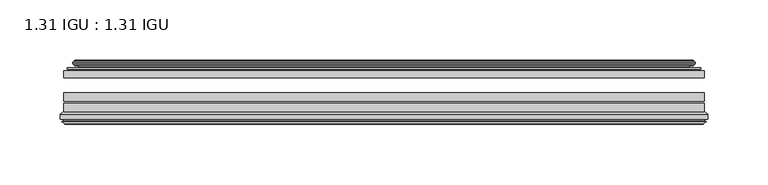
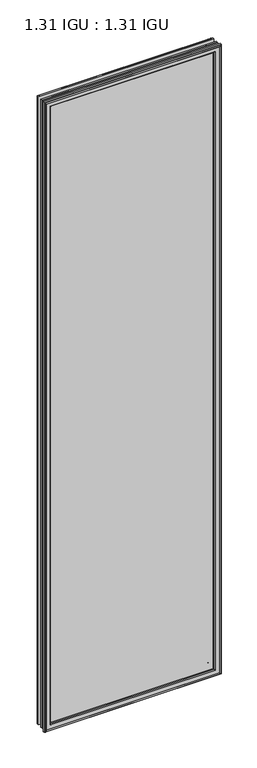
"""IFC4 building model written with IfcOpenShell, lengths in millimetres: plate geometry, 1.31 IGU : 1.31 IGU."""

from ifc_helpers import new_model, si_unit, frame, origin, place, context, project, spatial, polyline, ellipse_curve, outline, extrude, source, transform, mapped, element, save
from ifc_brep_helpers import plane_surface, cylinder_surface, revolved_surface, advanced_brep


def plate_1_31_igu_1_31_igu_cab397bc(model_context):
    return source(origin(), model_context, "Body", "SolidModel", [
        extrude(outline(polyline([(265.1083788, -44.8960875), (265.1083788, -50.4332875), (-265.1133138, -50.4332875), (-265.1133138, -44.8960875), (265.1083788, -44.8960875)])), frame((0.0, 0.0, -14.2875), z_axis=(0.0, 0.0, 1.0), x_axis=(1.0, 0.0, 0.0)), (0.0, 0.0, 1.0), 2009.67848),
        extrude(outline(polyline([(-265.1133138, -78.7796875), (-265.1133138, -71.7692875), (265.1083788, -71.7692875), (265.1083788, -78.7796875), (-265.1133138, -78.7796875)])), frame((0.0, 0.0, -14.2875), z_axis=(0.0, 0.0, 1.0), x_axis=(1.0, 0.0, 0.0)), (0.0, 0.0, 1.0), 2009.67848),
        extrude(outline(polyline([(-265.1133138, -70.2452875), (-265.1133138, -63.1332875), (265.1083788, -63.1332875), (265.1083788, -70.2452875), (-265.1133138, -70.2452875)])), frame((0.0, 0.0, -14.2875), z_axis=(0.0, 0.0, 1.0), x_axis=(1.0, 0.0, 0.0)), (0.0, 0.0, 1.0), 2009.67848),
        advanced_brep(
        [(-255.7679893, -37.7373382, 1986.0456555), (-250.8263564, -36.3108875, 1981.1040226), (-250.8263564, -36.3108875, -0.0005426), (-255.7679893, -37.7373382, -4.9421755), (-255.602884, -36.9605789, 1985.8805502), (-255.602884, -36.9605789, -4.7770702), (-256.1983697, -36.4771203, 1986.4760359), (-256.1983697, -36.4771203, -5.3725559), (-257.4630055, -37.766076, 1987.7406717), (-257.4630055, -37.766076, -6.6371917), (-257.4521887, -38.8797852, 1987.7298549), (-257.4521887, -38.8797852, -6.6263749), (-256.1707035, -40.1361433, 1986.4483697), (-256.1707035, -40.1361433, -5.3448897), (-255.5656967, -39.649943, 1985.8433629), (-255.5656967, -39.649943, -4.7398829), (-256.119711, -39.0959287, 1986.3973772), (-256.119711, -39.0959287, -5.2938972), (-253.8339026, -38.7029881, 1984.1115687), (-253.8339026, -38.7029881, -3.0080887), (-252.3748295, -40.2107282, 1982.6524957), (-252.3748295, -40.2107282, -1.5490157), (-252.6714114, -41.651269, 1982.9490776), (-252.6714114, -41.651269, -1.8455976), (-253.4426359, -42.2798875, 1983.7203021), (-253.4426359, -42.2798875, -2.6168221), (-261.7466122, -43.4871542, 1992.0242784), (-261.4714108, -42.2798875, 1991.7490769), (-261.4714108, -42.2798875, -10.6455969), (-261.7466122, -43.4871542, -10.9207984), (-258.2890436, -44.8960875, 1988.5667097), (-258.2890436, -44.8960875, -7.4632297), (-247.1914198, -44.023302, 1977.4690859), (-247.5467577, -44.8960875, 1977.8244239), (-247.5467577, -44.8960875, 3.2790561), (-247.1914198, -44.023302, 3.6343941), (-247.8626178, -43.3681812, 1978.140284), (-247.8626178, -43.3681812, 2.963196), (-249.5034084, -40.6686056, 1979.7810746), (-249.5034084, -40.6686056, 1.3224054), (250.8263564, -36.3108875, -0.0005426), (255.7679893, -37.7373382, -4.9421755), (255.602884, -36.9605789, -4.7770702), (256.1983697, -36.4771203, -5.3725559), (257.4630055, -37.766076, -6.6371917), (257.4521887, -38.8797852, -6.6263749), (256.1707035, -40.1361433, -5.3448897), (255.5656967, -39.649943, -4.7398829), (256.119711, -39.0959287, -5.2938972), (253.8339026, -38.7029881, -3.0080887), (252.3748295, -40.2107282, -1.5490157), (252.6714114, -41.651269, -1.8455976), (253.4426359, -42.2798875, -2.6168221), (261.4714108, -42.2798875, -10.6455969), (261.7466122, -43.4871542, -10.9207984), (258.2890436, -44.8960875, -7.4632297), (247.5467577, -44.8960875, 3.2790561), (247.1914198, -44.023302, 3.6343941), (247.8626178, -43.3681812, 2.963196), (249.5034084, -40.6686056, 1.3224054), (250.8263564, -36.3108875, 1981.1040226), (255.7679893, -37.7373382, 1986.0456555), (255.602884, -36.9605789, 1985.8805502), (256.1983697, -36.4771203, 1986.4760359), (257.4630055, -37.766076, 1987.7406717), (257.4521887, -38.8797852, 1987.7298549), (256.1707035, -40.1361433, 1986.4483697), (255.5656967, -39.649943, 1985.8433629), (256.119711, -39.0959287, 1986.3973772), (253.8339026, -38.7029881, 1984.1115687), (252.3748295, -40.2107282, 1982.6524957), (252.6714114, -41.651269, 1982.9490776), (253.4426359, -42.2798875, 1983.7203021), (261.4714108, -42.2798875, 1991.7490769), (261.7466122, -43.4871542, 1992.0242784), (258.2890436, -44.8960875, 1988.5667097), (247.5467577, -44.8960875, 1977.8244239), (247.1914198, -44.023302, 1977.4690859), (247.8626178, -43.3681812, 1978.140284), (249.5034084, -40.6686056, 1979.7810746)],
        [
            (0, 1),
            (1, 2),
            (2, 3),
            (3, 0),
            (4, 0),
            (3, 5),
            (5, 4),
            (6, 4, ellipse_curve(frame((-255.923401, -36.746901, 1986.2010671), z_axis=(-0.7071067811865475, 0.0, -0.7071067811865475), x_axis=(-0.7071067811865474, 0.0, 0.7071067811865476)), 0.5447741, 0.3852135)),
            (5, 7, ellipse_curve(frame((-255.923401, -36.746901, -5.0975871), z_axis=(-0.7071067811865475, 0.0, 0.7071067811865475), x_axis=(0.7071067811865474, 0.0, 0.7071067811865476)), 0.5447741, 0.3852135)),
            (7, 6),
            (8, 6),
            (7, 9),
            (9, 8),
            (10, 8, ellipse_curve(frame((-256.9009525, -38.3175243, 1987.1786187), z_axis=(-0.7071067811865475, 0.0, -0.7071067811865475), x_axis=(-0.7071067811865474, 0.0, 0.7071067811865476)), 1.1135518, 0.7874)),
            (9, 11, ellipse_curve(frame((-256.9009525, -38.3175243, -6.0751387), z_axis=(-0.7071067811865475, 0.0, 0.7071067811865475), x_axis=(0.7071067811865474, 0.0, 0.7071067811865476)), 1.1135518, 0.7874)),
            (11, 10),
            (12, 10),
            (11, 13),
            (13, 12),
            (14, 12, ellipse_curve(frame((-255.8971061, -39.8570738, 1986.1747722), z_axis=(-0.7071067811865475, 0.0, -0.7071067811865475), x_axis=(-0.7071067811865474, 0.0, 0.7071067811865476)), 0.552694, 0.3908137)),
            (13, 15, ellipse_curve(frame((-255.8971061, -39.8570738, -5.0712922), z_axis=(-0.7071067811865475, 0.0, 0.7071067811865475), x_axis=(0.7071067811865474, 0.0, 0.7071067811865476)), 0.552694, 0.3908137)),
            (15, 14),
            (16, 14),
            (15, 17),
            (17, 16),
            (18, 16),
            (17, 19),
            (19, 18),
            (20, 18, ellipse_curve(frame((-253.6187399, -39.954629, 1983.8964061), z_axis=(0.7071067811865475, 0.0, 0.7071067811865475), x_axis=(0.7071067811865474, 0.0, -0.7071067811865476)), 1.7960512, 1.27)),
            (19, 21, ellipse_curve(frame((-253.6187399, -39.954629, -2.7929261), z_axis=(0.7071067811865475, 0.0, -0.7071067811865475), x_axis=(-0.7071067811865474, 0.0, -0.7071067811865476)), 1.7960512, 1.27)),
            (21, 20),
            (22, 20),
            (21, 23),
            (23, 22),
            (24, 22, ellipse_curve(frame((-253.4426359, -41.4924875, 1983.7203021), z_axis=(0.7071067811865475, 0.0, 0.7071067811865475), x_axis=(0.7071067811865474, 0.0, -0.7071067811865476)), 1.1135518, 0.7874)),
            (23, 25, ellipse_curve(frame((-253.4426359, -41.4924875, -2.6168221), z_axis=(0.7071067811865475, 0.0, -0.7071067811865475), x_axis=(-0.7071067811865474, 0.0, -0.7071067811865476)), 1.1135518, 0.7874)),
            (25, 24),
            (26, 27, ellipse_curve(frame((-261.4714108, -42.9148875, 1991.7490769), z_axis=(-0.7071067811865475, 0.0, -0.7071067811865475), x_axis=(-0.7071067811865474, 0.0, 0.7071067811865476)), 0.8980256, 0.635)),
            (27, 28),
            (28, 29, ellipse_curve(frame((-261.4714108, -42.9148875, -10.6455969), z_axis=(-0.7071067811865475, 0.0, 0.7071067811865475), x_axis=(0.7071067811865474, 0.0, 0.7071067811865476)), 0.8980256, 0.635)),
            (29, 26),
            (30, 26),
            (29, 31),
            (31, 30),
            (32, 33, ellipse_curve(frame((-247.5467577, -44.3873602, 1977.8244239), z_axis=(-0.7071067811865475, 0.0, -0.7071067811865475), x_axis=(-0.7071067811865474, 0.0, 0.7071067811865476)), 0.719449, 0.5087273)),
            (33, 34),
            (34, 35, ellipse_curve(frame((-247.5467577, -44.3873602, 3.2790561), z_axis=(-0.7071067811865475, 0.0, 0.7071067811865475), x_axis=(0.7071067811865474, 0.0, 0.7071067811865476)), 0.719449, 0.5087273)),
            (35, 32),
            (36, 32),
            (35, 37),
            (37, 36),
            (38, 36, ellipse_curve(frame((-243.4272436, -38.823959, 1973.7049098), z_axis=(0.7071067811865475, 0.0, 0.7071067811865475), x_axis=(0.7071067811865474, 0.0, -0.7071067811865476)), 8.9802561, 6.35)),
            (37, 39, ellipse_curve(frame((-243.4272436, -38.823959, 7.3985702), z_axis=(0.7071067811865475, 0.0, -0.7071067811865475), x_axis=(-0.7071067811865474, 0.0, -0.7071067811865476)), 8.9802561, 6.35)),
            (39, 38),
            (1, 38),
            (39, 2),
            (2, 40),
            (40, 41),
            (41, 3),
            (41, 42),
            (42, 5),
            (42, 43, ellipse_curve(frame((255.923401, -36.746901, -5.0975871), z_axis=(-0.7071067811865475, 0.0, -0.7071067811865475), x_axis=(-0.7071067811865476, 0.0, 0.7071067811865474)), 0.5447741, 0.3852135)),
            (43, 7),
            (43, 44),
            (44, 9),
            (44, 45, ellipse_curve(frame((256.9009525, -38.3175243, -6.0751387), z_axis=(-0.7071067811865475, 0.0, -0.7071067811865475), x_axis=(-0.7071067811865476, 0.0, 0.7071067811865474)), 1.1135518, 0.7874)),
            (45, 11),
            (45, 46),
            (46, 13),
            (46, 47, ellipse_curve(frame((255.8971061, -39.8570738, -5.0712922), z_axis=(-0.7071067811865475, 0.0, -0.7071067811865475), x_axis=(-0.7071067811865476, 0.0, 0.7071067811865474)), 0.552694, 0.3908137)),
            (47, 15),
            (47, 48),
            (48, 17),
            (48, 49),
            (49, 19),
            (49, 50, ellipse_curve(frame((253.6187399, -39.954629, -2.7929261), z_axis=(0.7071067811865475, 0.0, 0.7071067811865475), x_axis=(0.7071067811865476, 0.0, -0.7071067811865474)), 1.7960512, 1.27)),
            (50, 21),
            (50, 51),
            (51, 23),
            (51, 52, ellipse_curve(frame((253.4426359, -41.4924875, -2.6168221), z_axis=(0.7071067811865475, 0.0, 0.7071067811865475), x_axis=(0.7071067811865476, 0.0, -0.7071067811865474)), 1.1135518, 0.7874)),
            (52, 25),
            (28, 53),
            (53, 54, ellipse_curve(frame((261.4714108, -42.9148875, -10.6455969), z_axis=(-0.7071067811865475, 0.0, -0.7071067811865475), x_axis=(-0.7071067811865476, 0.0, 0.7071067811865474)), 0.8980256, 0.635)),
            (54, 29),
            (54, 55),
            (55, 31),
            (34, 56),
            (56, 57, ellipse_curve(frame((247.5467577, -44.3873602, 3.2790561), z_axis=(-0.7071067811865475, 0.0, -0.7071067811865475), x_axis=(-0.7071067811865476, 0.0, 0.7071067811865474)), 0.719449, 0.5087273)),
            (57, 35),
            (57, 58),
            (58, 37),
            (58, 59, ellipse_curve(frame((243.4272436, -38.823959, 7.3985702), z_axis=(0.7071067811865475, 0.0, 0.7071067811865475), x_axis=(0.7071067811865476, 0.0, -0.7071067811865474)), 8.9802561, 6.35)),
            (59, 39),
            (59, 40),
            (40, 60),
            (60, 61),
            (61, 41),
            (61, 62),
            (62, 42),
            (62, 63, ellipse_curve(frame((255.923401, -36.746901, 1986.2010671), z_axis=(0.7071067811865475, 0.0, -0.7071067811865475), x_axis=(-0.7071067811865474, 0.0, -0.7071067811865476)), 0.5447741, 0.3852135)),
            (63, 43),
            (63, 64),
            (64, 44),
            (64, 65, ellipse_curve(frame((256.9009525, -38.3175243, 1987.1786187), z_axis=(0.7071067811865475, 0.0, -0.7071067811865475), x_axis=(-0.7071067811865474, 0.0, -0.7071067811865476)), 1.1135518, 0.7874)),
            (65, 45),
            (65, 66),
            (66, 46),
            (66, 67, ellipse_curve(frame((255.8971061, -39.8570738, 1986.1747722), z_axis=(0.7071067811865475, 0.0, -0.7071067811865475), x_axis=(-0.7071067811865474, 0.0, -0.7071067811865476)), 0.552694, 0.3908137)),
            (67, 47),
            (67, 68),
            (68, 48),
            (68, 69),
            (69, 49),
            (69, 70, ellipse_curve(frame((253.6187399, -39.954629, 1983.8964061), z_axis=(-0.7071067811865475, 0.0, 0.7071067811865475), x_axis=(0.7071067811865474, 0.0, 0.7071067811865476)), 1.7960512, 1.27)),
            (70, 50),
            (70, 71),
            (71, 51),
            (71, 72, ellipse_curve(frame((253.4426359, -41.4924875, 1983.7203021), z_axis=(-0.7071067811865475, 0.0, 0.7071067811865475), x_axis=(0.7071067811865474, 0.0, 0.7071067811865476)), 1.1135518, 0.7874)),
            (72, 52),
            (53, 73),
            (73, 74, ellipse_curve(frame((261.4714108, -42.9148875, 1991.7490769), z_axis=(0.7071067811865475, 0.0, -0.7071067811865475), x_axis=(-0.7071067811865474, 0.0, -0.7071067811865476)), 0.8980256, 0.635)),
            (74, 54),
            (74, 75),
            (75, 55),
            (56, 76),
            (76, 77, ellipse_curve(frame((247.5467577, -44.3873602, 1977.8244239), z_axis=(0.7071067811865475, 0.0, -0.7071067811865475), x_axis=(-0.7071067811865474, 0.0, -0.7071067811865476)), 0.719449, 0.5087273)),
            (77, 57),
            (77, 78),
            (78, 58),
            (78, 79, ellipse_curve(frame((243.4272436, -38.823959, 1973.7049098), z_axis=(-0.7071067811865475, 0.0, 0.7071067811865475), x_axis=(0.7071067811865474, 0.0, 0.7071067811865476)), 8.9802561, 6.35)),
            (79, 59),
            (79, 60),
            (60, 1),
            (0, 61),
            (4, 62),
            (6, 63),
            (8, 64),
            (10, 65),
            (12, 66),
            (14, 67),
            (16, 68),
            (18, 69),
            (20, 70),
            (22, 71),
            (24, 72),
            (27, 73),
            (26, 74),
            (30, 75),
            (33, 76),
            (32, 77),
            (36, 78),
            (38, 79),
        ],
        [
            plane_surface(frame((-250.8263564, -36.3108875, 1981.1040226), z_axis=(-0.2773364928492854, 0.9607728502273877, 0.0), x_axis=(0.0, 0.0, -1.0))),
            plane_surface(frame((-255.7679893, -37.7373382, 1986.0456555), z_axis=(0.9781476007338358, -0.2079116908176177, 0.0), x_axis=(0.0, 0.0, -1.0))),
            cylinder_surface(frame((-255.923401, -36.746901, 2012.85348), z_axis=(0.0, 0.0, 1.0), x_axis=(-1.0, 0.0, 0.0)), 0.3852135),
            plane_surface(frame((-256.1983697, -36.4771203, 1986.4760359), z_axis=(-0.7138087599382162, 0.7003406701280928, 0.0), x_axis=(0.0, 0.0, -1.0))),
            cylinder_surface(frame((-256.9009525, -38.3175243, 2012.85348), z_axis=(0.0, 0.0, 1.0), x_axis=(-1.0, 0.0, 0.0)), 0.7874),
            plane_surface(frame((-257.4521887, -38.8797852, 1987.7298549), z_axis=(-0.7000714109283732, -0.7140728391423082, 0.0), x_axis=(0.0, 0.0, -1.0))),
            cylinder_surface(frame((-255.8971061, -39.8570738, 2012.85348), z_axis=(0.0, 0.0, 1.0), x_axis=(-1.0, 0.0, 0.0)), 0.3908137),
            plane_surface(frame((-255.5656967, -39.649943, 1985.8433629), z_axis=(0.7071067811861126, 0.7071067811869826, 0.0), x_axis=(0.0, 0.0, -1.0))),
            plane_surface(frame((-256.119711, -39.0959287, 1986.3973772), z_axis=(0.16941940671011482, -0.9855440449974789, 0.0), x_axis=(0.0, 0.0, -1.0))),
            revolved_surface(polyline([(-254.88873990000002, -39.954629, -4.062926082878221), (-254.88873990000002, -39.954629, 1985.1664060828782)]), (-253.6187399, -39.954629, 2012.85348), (0.0, 0.0, -1.0)),
            plane_surface(frame((-252.3748295, -40.2107282, 1982.6524957), z_axis=(-0.9794570432566897, 0.201652920670302, 0.0), x_axis=(0.0, 0.0, -1.0))),
            revolved_surface(polyline([(-254.2300359, -41.4924875, -3.4042221289826102), (-254.2300359, -41.4924875, 1984.5077021289826)]), (-253.4426359, -41.4924875, 2012.85348), (0.0, 0.0, -1.0)),
            cylinder_surface(frame((-261.4714108, -42.9148875, 2012.85348), z_axis=(0.0, 0.0, 1.0), x_axis=(-1.0, 0.0, 0.0)), 0.635),
            plane_surface(frame((-261.7466122, -43.4871542, 1992.0242784), z_axis=(-0.37736447542757934, -0.9260648209954139, 0.0), x_axis=(0.0, 0.0, -1.0))),
            cylinder_surface(frame((-247.5467577, -44.3873602, 2012.85348), z_axis=(0.0, 0.0, 1.0), x_axis=(-1.0, 0.0, 0.0)), 0.5087273),
            plane_surface(frame((-247.1914198, -44.023302, 1977.4690859), z_axis=(0.698484125849927, 0.7156255486884628, 0.0), x_axis=(0.0, 0.0, -1.0))),
            revolved_surface(polyline([(-249.7772436, -38.823959, 1.0485702148980636), (-249.7772436, -38.823959, 1980.054909785102)]), (-243.4272436, -38.823959, 2012.85348), (0.0, 0.0, -1.0)),
            plane_surface(frame((-249.5034084, -40.6686056, 1979.7810746), z_axis=(0.9568763473517009, 0.2904955350411895, 0.0), x_axis=(0.0, 0.0, -1.0))),
            plane_surface(frame((-250.8263564, -36.3108875, -0.0005426), z_axis=(0.0, 0.9607728502273868, -0.2773364928492885), x_axis=(1.0, 0.0, 0.0))),
            plane_surface(frame((-255.7679893, -37.7373382, -4.9421755), z_axis=(0.0, -0.20791169081761454, 0.9781476007338364), x_axis=(1.0, 0.0, 0.0))),
            cylinder_surface(frame((-282.5758138, -36.746901, -5.0975871), z_axis=(-1.0, 0.0, 0.0), x_axis=(0.0, 0.0, -1.0)), 0.3852135),
            plane_surface(frame((-256.1983697, -36.4771203, -5.3725559), z_axis=(0.0, 0.7003406701280904, -0.7138087599382185), x_axis=(1.0, 0.0, 0.0))),
            cylinder_surface(frame((-282.5758138, -38.3175243, -6.0751387), z_axis=(-1.0, 0.0, 0.0), x_axis=(0.0, 0.0, -1.0)), 0.7874),
            plane_surface(frame((-257.4521887, -38.8797852, -6.6263749), z_axis=(0.0, -0.7140728391423105, -0.7000714109283709), x_axis=(1.0, 0.0, 0.0))),
            cylinder_surface(frame((-282.5758138, -39.8570738, -5.0712922), z_axis=(-1.0, 0.0, 0.0), x_axis=(0.0, 0.0, -1.0)), 0.3908137),
            plane_surface(frame((-255.5656967, -39.649943, -4.7398829), z_axis=(0.0, 0.7071067811869849, 0.7071067811861103), x_axis=(1.0, 0.0, 0.0))),
            plane_surface(frame((-256.119711, -39.0959287, -5.2938972), z_axis=(0.0, -0.9855440449974784, 0.16941940671011801), x_axis=(1.0, 0.0, 0.0))),
            revolved_surface(polyline([(254.88873988287833, -39.954629, -4.0629261), (-254.88873988287824, -39.954629, -4.0629261)]), (-282.5758138, -39.954629, -2.7929261), (1.0, 0.0, 0.0)),
            plane_surface(frame((-252.3748295, -40.2107282, -1.5490157), z_axis=(0.0, 0.20165292067029883, -0.9794570432566904), x_axis=(1.0, 0.0, 0.0))),
            revolved_surface(polyline([(254.2300359289825, -41.4924875, -3.4042220999999997), (-254.2300359289825, -41.4924875, -3.4042220999999997)]), (-282.5758138, -41.4924875, -2.6168221), (1.0, 0.0, 0.0)),
            cylinder_surface(frame((-282.5758138, -42.9148875, -10.6455969), z_axis=(-1.0, 0.0, 0.0), x_axis=(0.0, 0.0, -1.0)), 0.635),
            plane_surface(frame((-261.7466122, -43.4871542, -10.9207984), z_axis=(0.0, -0.9260648209954151, -0.37736447542757634), x_axis=(1.0, 0.0, 0.0))),
            cylinder_surface(frame((-282.5758138, -44.3873602, 3.2790561), z_axis=(-1.0, 0.0, 0.0), x_axis=(0.0, 0.0, -1.0)), 0.5087273),
            plane_surface(frame((-247.1914198, -44.023302, 3.6343941), z_axis=(0.0, 0.7156255486884651, 0.6984841258499247), x_axis=(1.0, 0.0, 0.0))),
            revolved_surface(polyline([(249.77724358510181, -38.823959, 1.0485702000000003), (-249.77724358510187, -38.823959, 1.0485702000000003)]), (-282.5758138, -38.823959, 7.3985702), (1.0, 0.0, 0.0)),
            plane_surface(frame((-249.5034084, -40.6686056, 1.3224054), z_axis=(0.0, 0.29049553504119263, 0.9568763473517), x_axis=(1.0, 0.0, 0.0))),
            plane_surface(frame((250.8263564, -36.3108875, -0.0005426), z_axis=(0.2773364928492916, 0.9607728502273859, 0.0), x_axis=(0.0, 0.0, 1.0))),
            plane_surface(frame((255.7679893, -37.7373382, -4.9421755), z_axis=(-0.9781476007338371, -0.20791169081761138, 0.0), x_axis=(0.0, 0.0, 1.0))),
            cylinder_surface(frame((255.923401, -36.746901, -31.75), z_axis=(0.0, 0.0, -1.0), x_axis=(1.0, 0.0, 0.0)), 0.3852135),
            plane_surface(frame((256.1983697, -36.4771203, -5.3725559), z_axis=(0.7138087599382208, 0.7003406701280882, 0.0), x_axis=(0.0, 0.0, 1.0))),
            cylinder_surface(frame((256.9009525, -38.3175243, -31.75), z_axis=(0.0, 0.0, -1.0), x_axis=(1.0, 0.0, 0.0)), 0.7874),
            plane_surface(frame((257.4521887, -38.8797852, -6.6263749), z_axis=(0.7000714109283687, -0.7140728391423128, 0.0), x_axis=(0.0, 0.0, 1.0))),
            cylinder_surface(frame((255.8971061, -39.8570738, -31.75), z_axis=(0.0, 0.0, -1.0), x_axis=(1.0, 0.0, 0.0)), 0.3908137),
            plane_surface(frame((255.5656967, -39.649943, -4.7398829), z_axis=(-0.7071067811861079, 0.7071067811869872, 0.0), x_axis=(0.0, 0.0, 1.0))),
            plane_surface(frame((256.119711, -39.0959287, -5.2938972), z_axis=(-0.1694194067101212, -0.9855440449974778, 0.0), x_axis=(0.0, 0.0, 1.0))),
            revolved_surface(polyline([(254.88873990000002, -39.954629, 1985.1664060828782), (254.88873990000002, -39.954629, -4.062926082878235)]), (253.6187399, -39.954629, -31.75), (0.0, 0.0, 1.0)),
            plane_surface(frame((252.3748295, -40.2107282, -1.5490157), z_axis=(0.979457043256691, 0.20165292067029567, 0.0), x_axis=(0.0, 0.0, 1.0))),
            revolved_surface(polyline([(254.2300359, -41.4924875, 1984.5077021289826), (254.2300359, -41.4924875, -3.404222128982486)]), (253.4426359, -41.4924875, -31.75), (0.0, 0.0, 1.0)),
            cylinder_surface(frame((261.4714108, -42.9148875, -31.75), z_axis=(0.0, 0.0, -1.0), x_axis=(1.0, 0.0, 0.0)), 0.635),
            plane_surface(frame((261.7466122, -43.4871542, -10.9207984), z_axis=(0.37736447542757334, -0.9260648209954163, 0.0), x_axis=(0.0, 0.0, 1.0))),
            cylinder_surface(frame((247.5467577, -44.3873602, -31.75), z_axis=(0.0, 0.0, -1.0), x_axis=(1.0, 0.0, 0.0)), 0.5087273),
            plane_surface(frame((247.1914198, -44.023302, 3.6343941), z_axis=(-0.6984841258499224, 0.7156255486884673, 0.0), x_axis=(0.0, 0.0, 1.0))),
            revolved_surface(polyline([(249.7772436, -38.823959, 1980.054909785102), (249.7772436, -38.823959, 1.0485702148981417)]), (243.4272436, -38.823959, -31.75), (0.0, 0.0, 1.0)),
            plane_surface(frame((249.5034084, -40.6686056, 1.3224054), z_axis=(-0.9568763473516991, 0.29049553504119574, 0.0), x_axis=(0.0, 0.0, 1.0))),
            plane_surface(frame((250.8263564, -36.3108875, 1981.1040226), z_axis=(0.0, 0.9607728502273868, 0.2773364928492885), x_axis=(-1.0, 0.0, 0.0))),
            plane_surface(frame((255.7679893, -37.7373382, 1986.0456555), z_axis=(0.0, -0.20791169081761454, -0.9781476007338364), x_axis=(-1.0, 0.0, 0.0))),
            cylinder_surface(frame((282.5758138, -36.746901, 1986.2010671), z_axis=(1.0, 0.0, 0.0), x_axis=(0.0, 0.0, 1.0)), 0.3852135),
            plane_surface(frame((256.1983697, -36.4771203, 1986.4760359), z_axis=(0.0, 0.7003406701280904, 0.7138087599382185), x_axis=(-1.0, 0.0, 0.0))),
            cylinder_surface(frame((282.5758138, -38.3175243, 1987.1786187), z_axis=(1.0, 0.0, 0.0), x_axis=(0.0, 0.0, 1.0)), 0.7874),
            plane_surface(frame((257.4521887, -38.8797852, 1987.7298549), z_axis=(0.0, -0.7140728391423106, 0.700071410928371), x_axis=(-1.0, 0.0, 0.0))),
            cylinder_surface(frame((282.5758138, -39.8570738, 1986.1747722), z_axis=(1.0, 0.0, 0.0), x_axis=(0.0, 0.0, 1.0)), 0.3908137),
            plane_surface(frame((255.5656967, -39.649943, 1985.8433629), z_axis=(0.0, 0.7071067811869849, -0.7071067811861103), x_axis=(-1.0, 0.0, 0.0))),
            plane_surface(frame((256.119711, -39.0959287, 1986.3973772), z_axis=(0.0, -0.9855440449974784, -0.16941940671011801), x_axis=(-1.0, 0.0, 0.0))),
            revolved_surface(polyline([(-254.88873988287833, -39.954629, 1985.1664061), (254.88873988287824, -39.954629, 1985.1664061)]), (282.5758138, -39.954629, 1983.8964061), (-1.0, 0.0, 0.0)),
            plane_surface(frame((252.3748295, -40.2107282, 1982.6524957), z_axis=(0.0, 0.20165292067029883, 0.9794570432566904), x_axis=(-1.0, 0.0, 0.0))),
            revolved_surface(polyline([(-254.2300359289825, -41.4924875, 1984.5077021), (254.2300359289825, -41.4924875, 1984.5077021)]), (282.5758138, -41.4924875, 1983.7203021), (-1.0, 0.0, 0.0)),
            plane_surface(frame((253.4426359, -42.2798875, 1983.7203021), z_axis=(0.0, 1.0, 0.0), x_axis=(-1.0, 0.0, 0.0))),
            cylinder_surface(frame((282.5758138, -42.9148875, 1991.7490769), z_axis=(1.0, 0.0, 0.0), x_axis=(0.0, 0.0, 1.0)), 0.635),
            plane_surface(frame((261.7466122, -43.4871542, 1992.0242784), z_axis=(0.0, -0.9260648209954151, 0.37736447542757634), x_axis=(-1.0, 0.0, 0.0))),
            plane_surface(frame((258.2890436, -44.8960875, 1988.5667097), z_axis=(0.0, -1.0, 0.0), x_axis=(-1.0, 0.0, 0.0))),
            cylinder_surface(frame((282.5758138, -44.3873602, 1977.8244239), z_axis=(1.0, 0.0, 0.0), x_axis=(0.0, 0.0, 1.0)), 0.5087273),
            plane_surface(frame((247.1914198, -44.023302, 1977.4690859), z_axis=(0.0, 0.7156255486884651, -0.6984841258499247), x_axis=(-1.0, 0.0, 0.0))),
            revolved_surface(polyline([(-249.77724358510181, -38.823959, 1980.0549098), (249.77724358510187, -38.823959, 1980.0549098)]), (282.5758138, -38.823959, 1973.7049098), (-1.0, 0.0, 0.0)),
            plane_surface(frame((249.5034084, -40.6686056, 1979.7810746), z_axis=(0.0, 0.29049553504119263, -0.9568763473517), x_axis=(-1.0, 0.0, 0.0))),
        ],
        [
            (0, [[1, 2, 3, 4]]),
            (1, [[5, -4, 6, 7]]),
            (2, [[8, -7, 9, 10]]),
            (3, [[11, -10, 12, 13]]),
            (4, [[14, -13, 15, 16]]),
            (5, [[17, -16, 18, 19]]),
            (6, [[20, -19, 21, 22]]),
            (7, [[23, -22, 24, 25]]),
            (8, [[26, -25, 27, 28]]),
            (9, [[29, -28, 30, 31]]),
            (10, [[32, -31, 33, 34]]),
            (11, [[35, -34, 36, 37]]),
            (12, [[38, 39, 40, 41]]),
            (13, [[42, -41, 43, 44]]),
            (14, [[45, 46, 47, 48]]),
            (15, [[49, -48, 50, 51]]),
            (16, [[52, -51, 53, 54]]),
            (17, [[55, -54, 56, -2]]),
            (18, [[-3, 57, 58, 59]]),
            (19, [[-6, -59, 60, 61]]),
            (20, [[-9, -61, 62, 63]]),
            (21, [[-12, -63, 64, 65]]),
            (22, [[-15, -65, 66, 67]]),
            (23, [[-18, -67, 68, 69]]),
            (24, [[-21, -69, 70, 71]]),
            (25, [[-24, -71, 72, 73]]),
            (26, [[-27, -73, 74, 75]]),
            (27, [[-30, -75, 76, 77]]),
            (28, [[-33, -77, 78, 79]]),
            (29, [[-36, -79, 80, 81]]),
            (30, [[-40, 82, 83, 84]]),
            (31, [[-43, -84, 85, 86]]),
            (32, [[-47, 87, 88, 89]]),
            (33, [[-50, -89, 90, 91]]),
            (34, [[-53, -91, 92, 93]]),
            (35, [[-56, -93, 94, -57]]),
            (36, [[-58, 95, 96, 97]]),
            (37, [[-60, -97, 98, 99]]),
            (38, [[-62, -99, 100, 101]]),
            (39, [[-64, -101, 102, 103]]),
            (40, [[-66, -103, 104, 105]]),
            (41, [[-68, -105, 106, 107]]),
            (42, [[-70, -107, 108, 109]]),
            (43, [[-72, -109, 110, 111]]),
            (44, [[-74, -111, 112, 113]]),
            (45, [[-76, -113, 114, 115]]),
            (46, [[-78, -115, 116, 117]]),
            (47, [[-80, -117, 118, 119]]),
            (48, [[-83, 120, 121, 122]]),
            (49, [[-85, -122, 123, 124]]),
            (50, [[-88, 125, 126, 127]]),
            (51, [[-90, -127, 128, 129]]),
            (52, [[-92, -129, 130, 131]]),
            (53, [[-94, -131, 132, -95]]),
            (54, [[-96, 133, -1, 134]]),
            (55, [[-98, -134, -5, 135]]),
            (56, [[-100, -135, -8, 136]]),
            (57, [[-102, -136, -11, 137]]),
            (58, [[-104, -137, -14, 138]]),
            (59, [[-106, -138, -17, 139]]),
            (60, [[-108, -139, -20, 140]]),
            (61, [[-110, -140, -23, 141]]),
            (62, [[-112, -141, -26, 142]]),
            (63, [[-114, -142, -29, 143]]),
            (64, [[-116, -143, -32, 144]]),
            (65, [[-118, -144, -35, 145]]),
            (66, [[146, -120, -82, -39], [-81, -119, -145, -37]]),
            (67, [[-121, -146, -38, 147]]),
            (68, [[-123, -147, -42, 148]]),
            (69, [[-86, -124, -148, -44], [149, -125, -87, -46]]),
            (70, [[-126, -149, -45, 150]]),
            (71, [[-128, -150, -49, 151]]),
            (72, [[-130, -151, -52, 152]]),
            (73, [[-132, -152, -55, -133]]),
        ],
    ),
        advanced_brep(
        [(-248.1382632, -83.3389875, 1978.4159294), (-249.9133294, -85.1296875, 1980.1909955), (-249.9133294, -85.1296875, 0.9124845), (-248.1382632, -83.3389875, 2.6875506), (-247.115054, -78.7796875, 1977.3927201), (-247.115054, -78.7796875, 3.7107599), (-267.695763, -80.9740477, 1997.9734291), (-265.5014027, -78.7796875, 1995.7790689), (-265.5014027, -78.7796875, -14.6755889), (-267.695763, -80.9740477, -16.8699491), (-267.695763, -85.1296875, 1997.9734291), (-267.695763, -85.1296875, -16.8699491), (-265.1707028, -86.3747112, 1995.4483689), (-265.9219297, -85.1296875, 1996.1995959), (-265.9219297, -85.1296875, -15.0961159), (-265.1707028, -86.3747112, -14.3448889), (-264.8611737, -87.6502863, 1995.1388398), (-264.8611737, -87.6502863, -14.0353598), (-265.8792871, -87.2076396, 1996.1569532), (-265.8792871, -87.2076396, -15.0534732), (-264.1922977, -88.8840626, 1994.4699638), (-266.6739971, -87.2076396, 1996.9516632), (-266.6739971, -87.2076396, -15.8481832), (-264.1922977, -88.8840626, -13.3664838), (-262.0404723, -86.9401656, 1992.3181384), (-262.0404723, -86.9401656, -11.2146584), (-263.7478265, -87.5528811, 1994.0254926), (-262.8220453, -86.9401656, 1993.0997114), (-262.8220453, -86.9401656, -11.9962314), (-263.7478265, -87.5528811, -12.9220126), (-263.6645011, -86.2429356, 1993.9421673), (-263.6645011, -86.2429356, -12.8386873), (-263.0662631, -85.1296875, 1993.3439292), (-263.0662631, -85.1296875, -12.2404492), (249.9133294, -85.1296875, 0.9124845), (248.1382632, -83.3389875, 2.6875506), (247.115054, -78.7796875, 3.7107599), (265.5014027, -78.7796875, -14.6755889), (267.695763, -80.9740477, -16.8699491), (267.695763, -85.1296875, -16.8699491), (265.9219297, -85.1296875, -15.0961159), (265.1707028, -86.3747112, -14.3448889), (264.8611737, -87.6502863, -14.0353598), (265.8792871, -87.2076396, -15.0534732), (266.6739971, -87.2076396, -15.8481832), (264.1922977, -88.8840626, -13.3664838), (262.0404723, -86.9401656, -11.2146584), (262.8220453, -86.9401656, -11.9962314), (263.7478265, -87.5528811, -12.9220126), (263.6645011, -86.2429356, -12.8386873), (263.0662631, -85.1296875, -12.2404492), (249.9133294, -85.1296875, 1980.1909955), (248.1382632, -83.3389875, 1978.4159294), (247.115054, -78.7796875, 1977.3927201), (265.5014027, -78.7796875, 1995.7790689), (267.695763, -80.9740477, 1997.9734291), (267.695763, -85.1296875, 1997.9734291), (265.9219297, -85.1296875, 1996.1995959), (265.1707028, -86.3747112, 1995.4483689), (264.8611737, -87.6502863, 1995.1388398), (265.8792871, -87.2076396, 1996.1569532), (266.6739971, -87.2076396, 1996.9516632), (264.1922977, -88.8840626, 1994.4699638), (262.0404723, -86.9401656, 1992.3181384), (262.8220453, -86.9401656, 1993.0997114), (263.7478265, -87.5528811, 1994.0254926), (263.6645011, -86.2429356, 1993.9421673), (263.0662631, -85.1296875, 1993.3439292)],
        [
            (0, 1, ellipse_curve(frame((-250.1647643, -83.1053133, 1980.4424305), z_axis=(-0.7071067811865475, 0.0, -0.7071067811865475), x_axis=(-0.7071067811865474, 0.0, 0.7071067811865476)), 2.8848953, 2.039929)),
            (1, 2),
            (2, 3, ellipse_curve(frame((-250.1647643, -83.1053133, 0.6610495), z_axis=(-0.7071067811865475, 0.0, 0.7071067811865475), x_axis=(0.7071067811865474, 0.0, 0.7071067811865476)), 2.8848953, 2.039929)),
            (3, 0),
            (4, 0),
            (3, 5),
            (5, 4),
            (6, 7),
            (7, 8),
            (8, 9),
            (9, 6),
            (10, 6),
            (9, 11),
            (11, 10),
            (12, 13),
            (13, 14),
            (14, 15),
            (15, 12),
            (16, 12),
            (15, 17),
            (17, 16),
            (18, 16),
            (17, 19),
            (19, 18),
            (20, 21),
            (21, 22),
            (22, 23),
            (23, 20),
            (24, 20),
            (23, 25),
            (25, 24),
            (26, 27),
            (27, 28),
            (28, 29),
            (29, 26),
            (30, 26),
            (29, 31),
            (31, 30),
            (32, 30),
            (31, 33),
            (33, 32),
            (2, 34),
            (34, 35, ellipse_curve(frame((250.1647643, -83.1053133, 0.6610495), z_axis=(-0.7071067811865475, 0.0, -0.7071067811865475), x_axis=(-0.7071067811865476, 0.0, 0.7071067811865474)), 2.8848953, 2.039929)),
            (35, 3),
            (35, 36),
            (36, 5),
            (8, 37),
            (37, 38),
            (38, 9),
            (38, 39),
            (39, 11),
            (14, 40),
            (40, 41),
            (41, 15),
            (41, 42),
            (42, 17),
            (42, 43),
            (43, 19),
            (22, 44),
            (44, 45),
            (45, 23),
            (45, 46),
            (46, 25),
            (28, 47),
            (47, 48),
            (48, 29),
            (48, 49),
            (49, 31),
            (49, 50),
            (50, 33),
            (34, 51),
            (51, 52, ellipse_curve(frame((250.1647643, -83.1053133, 1980.4424305), z_axis=(0.7071067811865475, 0.0, -0.7071067811865475), x_axis=(-0.7071067811865474, 0.0, -0.7071067811865476)), 2.8848953, 2.039929)),
            (52, 35),
            (52, 53),
            (53, 36),
            (37, 54),
            (54, 55),
            (55, 38),
            (55, 56),
            (56, 39),
            (40, 57),
            (57, 58),
            (58, 41),
            (58, 59),
            (59, 42),
            (59, 60),
            (60, 43),
            (44, 61),
            (61, 62),
            (62, 45),
            (62, 63),
            (63, 46),
            (47, 64),
            (64, 65),
            (65, 48),
            (65, 66),
            (66, 49),
            (66, 67),
            (67, 50),
            (51, 1),
            (0, 52),
            (4, 53),
            (7, 54),
            (6, 55),
            (10, 56),
            (13, 57),
            (12, 58),
            (16, 59),
            (18, 60),
            (21, 61),
            (20, 62),
            (24, 63),
            (27, 64),
            (26, 65),
            (30, 66),
            (32, 67),
        ],
        [
            cylinder_surface(frame((-250.1647643, -83.1053133, 2012.85348), z_axis=(0.0, 0.0, 1.0), x_axis=(-1.0, 0.0, 0.0)), 2.039929),
            plane_surface(frame((-248.1382632, -83.3389875, 1978.4159294), z_axis=(0.9757302952562701, -0.2189757770145185, 0.0), x_axis=(0.0, 0.0, -1.0))),
            plane_surface(frame((-265.5014027, -78.7796875, 1995.7790689), z_axis=(-0.7071067811871722, 0.7071067811859229, 0.0), x_axis=(0.0, 0.0, -1.0))),
            plane_surface(frame((-267.695763, -80.9740477, 1997.9734291), z_axis=(-1.0, 0.0, 0.0), x_axis=(0.0, 0.0, -1.0))),
            plane_surface(frame((-265.9219297, -85.1296875, 1996.1995959), z_axis=(-0.8562121193263807, -0.516624434883434, 0.0), x_axis=(0.0, 0.0, -1.0))),
            plane_surface(frame((-265.1707028, -86.3747112, 1995.4483689), z_axis=(-0.9717979666139347, -0.23581499546259124, 0.0), x_axis=(0.0, 0.0, -1.0))),
            plane_surface(frame((-264.8611737, -87.6502863, 1995.1388398), z_axis=(0.3987175451776161, 0.9170737806564615, 0.0), x_axis=(0.0, 0.0, -1.0))),
            plane_surface(frame((-266.6739971, -87.2076396, 1996.9516632), z_axis=(-0.5597655002239059, -0.8286510633306884, 0.0), x_axis=(0.0, 0.0, -1.0))),
            plane_surface(frame((-264.1922977, -88.8840626, 1994.4699638), z_axis=(0.670345652676111, -0.7420489916024674, 0.0), x_axis=(0.0, 0.0, -1.0))),
            plane_surface(frame((-262.8220453, -86.9401656, 1993.0997114), z_axis=(-0.5519083205498945, 0.8339047941508642, 0.0), x_axis=(0.0, 0.0, -1.0))),
            plane_surface(frame((-263.7478265, -87.5528811, 1994.0254926), z_axis=(0.9979830161114805, -0.06348148984572213, 0.0), x_axis=(0.0, 0.0, -1.0))),
            plane_surface(frame((-263.6645011, -86.2429356, 1993.9421673), z_axis=(0.8808682216207324, -0.47336157019632297, 0.0), x_axis=(0.0, 0.0, -1.0))),
            cylinder_surface(frame((-282.5758138, -83.1053133, 0.6610495), z_axis=(-1.0, 0.0, 0.0), x_axis=(0.0, 0.0, -1.0)), 2.039929),
            plane_surface(frame((-248.1382632, -83.3389875, 2.6875506), z_axis=(0.0, -0.21897577701451534, 0.9757302952562708), x_axis=(1.0, 0.0, 0.0))),
            plane_surface(frame((-265.5014027, -78.7796875, -14.6755889), z_axis=(0.0, 0.7071067811859205, -0.7071067811871745), x_axis=(1.0, 0.0, 0.0))),
            plane_surface(frame((-267.695763, -80.9740477, -16.8699491), z_axis=(0.0, 0.0, -1.0), x_axis=(1.0, 0.0, 0.0))),
            plane_surface(frame((-265.9219297, -85.1296875, -15.0961159), z_axis=(0.0, -0.5166244348834368, -0.8562121193263791), x_axis=(1.0, 0.0, 0.0))),
            plane_surface(frame((-265.1707028, -86.3747112, -14.3448889), z_axis=(0.0, -0.23581499546259438, -0.9717979666139339), x_axis=(1.0, 0.0, 0.0))),
            plane_surface(frame((-264.8611737, -87.6502863, -14.0353598), z_axis=(0.0, 0.9170737806564628, 0.39871754517761315), x_axis=(1.0, 0.0, 0.0))),
            plane_surface(frame((-266.6739971, -87.2076396, -15.8481832), z_axis=(0.0, -0.8286510633306902, -0.5597655002239033), x_axis=(1.0, 0.0, 0.0))),
            plane_surface(frame((-264.1922977, -88.8840626, -13.3664838), z_axis=(0.0, -0.7420489916024652, 0.6703456526761135), x_axis=(1.0, 0.0, 0.0))),
            plane_surface(frame((-262.8220453, -86.9401656, -11.9962314), z_axis=(0.0, 0.8339047941508624, -0.5519083205498971), x_axis=(1.0, 0.0, 0.0))),
            plane_surface(frame((-263.7478265, -87.5528811, -12.9220126), z_axis=(0.0, -0.0634814898457189, 0.9979830161114808), x_axis=(1.0, 0.0, 0.0))),
            plane_surface(frame((-263.6645011, -86.2429356, -12.8386873), z_axis=(0.0, -0.47336157019632014, 0.880868221620734), x_axis=(1.0, 0.0, 0.0))),
            cylinder_surface(frame((250.1647643, -83.1053133, -31.75), z_axis=(0.0, 0.0, -1.0), x_axis=(1.0, 0.0, 0.0)), 2.039929),
            plane_surface(frame((248.1382632, -83.3389875, 2.6875506), z_axis=(-0.9757302952562714, -0.21897577701451218, 0.0), x_axis=(0.0, 0.0, 1.0))),
            plane_surface(frame((265.5014027, -78.7796875, -14.6755889), z_axis=(0.7071067811871768, 0.7071067811859182, 0.0), x_axis=(0.0, 0.0, 1.0))),
            plane_surface(frame((267.695763, -80.9740477, -16.8699491), z_axis=(1.0, 0.0, 0.0), x_axis=(0.0, 0.0, 1.0))),
            plane_surface(frame((265.9219297, -85.1296875, -15.0961159), z_axis=(0.8562121193263774, -0.5166244348834396, 0.0), x_axis=(0.0, 0.0, 1.0))),
            plane_surface(frame((265.1707028, -86.3747112, -14.3448889), z_axis=(0.9717979666139331, -0.23581499546259752, 0.0), x_axis=(0.0, 0.0, 1.0))),
            plane_surface(frame((264.8611737, -87.6502863, -14.0353598), z_axis=(-0.3987175451776102, 0.9170737806564642, 0.0), x_axis=(0.0, 0.0, 1.0))),
            plane_surface(frame((266.6739971, -87.2076396, -15.8481832), z_axis=(0.5597655002239006, -0.8286510633306919, 0.0), x_axis=(0.0, 0.0, 1.0))),
            plane_surface(frame((264.1922977, -88.8840626, -13.3664838), z_axis=(-0.6703456526761159, -0.742048991602463, 0.0), x_axis=(0.0, 0.0, 1.0))),
            plane_surface(frame((262.8220453, -86.9401656, -11.9962314), z_axis=(0.5519083205498998, 0.8339047941508606, 0.0), x_axis=(0.0, 0.0, 1.0))),
            plane_surface(frame((263.7478265, -87.5528811, -12.9220126), z_axis=(-0.997983016111481, -0.06348148984571567, 0.0), x_axis=(0.0, 0.0, 1.0))),
            plane_surface(frame((263.6645011, -86.2429356, -12.8386873), z_axis=(-0.8808682216207355, -0.4733615701963173, 0.0), x_axis=(0.0, 0.0, 1.0))),
            cylinder_surface(frame((282.5758138, -83.1053133, 1980.4424305), z_axis=(1.0, 0.0, 0.0), x_axis=(0.0, 0.0, 1.0)), 2.039929),
            plane_surface(frame((248.1382632, -83.3389875, 1978.4159294), z_axis=(0.0, -0.21897577701451534, -0.9757302952562708), x_axis=(-1.0, 0.0, 0.0))),
            plane_surface(frame((247.115054, -78.7796875, 1977.3927201), z_axis=(0.0, 1.0, 0.0), x_axis=(-1.0, 0.0, 0.0))),
            plane_surface(frame((265.5014027, -78.7796875, 1995.7790689), z_axis=(0.0, 0.7071067811859205, 0.7071067811871745), x_axis=(-1.0, 0.0, 0.0))),
            plane_surface(frame((267.695763, -80.9740477, 1997.9734291), z_axis=(0.0, 0.0, 1.0), x_axis=(-1.0, 0.0, 0.0))),
            plane_surface(frame((267.695763, -85.1296875, 1997.9734291), z_axis=(0.0, -1.0, 0.0), x_axis=(-1.0, 0.0, 0.0))),
            plane_surface(frame((265.9219297, -85.1296875, 1996.1995959), z_axis=(0.0, -0.5166244348834368, 0.8562121193263791), x_axis=(-1.0, 0.0, 0.0))),
            plane_surface(frame((265.1707028, -86.3747112, 1995.4483689), z_axis=(0.0, -0.23581499546259438, 0.9717979666139339), x_axis=(-1.0, 0.0, 0.0))),
            plane_surface(frame((264.8611737, -87.6502863, 1995.1388398), z_axis=(0.0, 0.9170737806564628, -0.39871754517761315), x_axis=(-1.0, 0.0, 0.0))),
            plane_surface(frame((265.8792871, -87.2076396, 1996.1569532), z_axis=(0.0, 1.0, 0.0), x_axis=(-1.0, 0.0, 0.0))),
            plane_surface(frame((266.6739971, -87.2076396, 1996.9516632), z_axis=(0.0, -0.8286510633306902, 0.5597655002239033), x_axis=(-1.0, 0.0, 0.0))),
            plane_surface(frame((264.1922977, -88.8840626, 1994.4699638), z_axis=(0.0, -0.7420489916024652, -0.6703456526761135), x_axis=(-1.0, 0.0, 0.0))),
            plane_surface(frame((262.0404723, -86.9401656, 1992.3181384), z_axis=(0.0, 1.0, 0.0), x_axis=(-1.0, 0.0, 0.0))),
            plane_surface(frame((262.8220453, -86.9401656, 1993.0997114), z_axis=(0.0, 0.8339047941508624, 0.5519083205498971), x_axis=(-1.0, 0.0, 0.0))),
            plane_surface(frame((263.7478265, -87.5528811, 1994.0254926), z_axis=(0.0, -0.0634814898457189, -0.9979830161114808), x_axis=(-1.0, 0.0, 0.0))),
            plane_surface(frame((263.6645011, -86.2429356, 1993.9421673), z_axis=(0.0, -0.47336157019632014, -0.880868221620734), x_axis=(-1.0, 0.0, 0.0))),
            plane_surface(frame((263.0662631, -85.1296875, 1993.3439292), z_axis=(0.0, -1.0, 0.0), x_axis=(-1.0, 0.0, 0.0))),
        ],
        [
            (0, [[1, 2, 3, 4]]),
            (1, [[5, -4, 6, 7]]),
            (2, [[8, 9, 10, 11]]),
            (3, [[12, -11, 13, 14]]),
            (4, [[15, 16, 17, 18]]),
            (5, [[19, -18, 20, 21]]),
            (6, [[22, -21, 23, 24]]),
            (7, [[25, 26, 27, 28]]),
            (8, [[29, -28, 30, 31]]),
            (9, [[32, 33, 34, 35]]),
            (10, [[36, -35, 37, 38]]),
            (11, [[39, -38, 40, 41]]),
            (12, [[-3, 42, 43, 44]]),
            (13, [[-6, -44, 45, 46]]),
            (14, [[-10, 47, 48, 49]]),
            (15, [[-13, -49, 50, 51]]),
            (16, [[-17, 52, 53, 54]]),
            (17, [[-20, -54, 55, 56]]),
            (18, [[-23, -56, 57, 58]]),
            (19, [[-27, 59, 60, 61]]),
            (20, [[-30, -61, 62, 63]]),
            (21, [[-34, 64, 65, 66]]),
            (22, [[-37, -66, 67, 68]]),
            (23, [[-40, -68, 69, 70]]),
            (24, [[-43, 71, 72, 73]]),
            (25, [[-45, -73, 74, 75]]),
            (26, [[-48, 76, 77, 78]]),
            (27, [[-50, -78, 79, 80]]),
            (28, [[-53, 81, 82, 83]]),
            (29, [[-55, -83, 84, 85]]),
            (30, [[-57, -85, 86, 87]]),
            (31, [[-60, 88, 89, 90]]),
            (32, [[-62, -90, 91, 92]]),
            (33, [[-65, 93, 94, 95]]),
            (34, [[-67, -95, 96, 97]]),
            (35, [[-69, -97, 98, 99]]),
            (36, [[-72, 100, -1, 101]]),
            (37, [[-74, -101, -5, 102]]),
            (38, [[103, -76, -47, -9], [-46, -75, -102, -7]]),
            (39, [[-77, -103, -8, 104]]),
            (40, [[-79, -104, -12, 105]]),
            (41, [[-51, -80, -105, -14], [106, -81, -52, -16]]),
            (42, [[-82, -106, -15, 107]]),
            (43, [[-84, -107, -19, 108]]),
            (44, [[-86, -108, -22, 109]]),
            (45, [[110, -88, -59, -26], [-58, -87, -109, -24]]),
            (46, [[-89, -110, -25, 111]]),
            (47, [[-91, -111, -29, 112]]),
            (48, [[113, -93, -64, -33], [-63, -92, -112, -31]]),
            (49, [[-94, -113, -32, 114]]),
            (50, [[-96, -114, -36, 115]]),
            (51, [[-98, -115, -39, 116]]),
            (52, [[-70, -99, -116, -41], [-100, -71, -42, -2]]),
        ],
    ),
    ])


if __name__ == "__main__":
    model = new_model("IFC4")
    model_context = context("Model", 3, world=origin())
    ifc_project = project(units=[si_unit("LENGTHUNIT", "METRE", prefix="MILLI")], contexts=[model_context])
    site = spatial("IfcSite", under=ifc_project)
    building = spatial("IfcBuilding", under=site)
    placement = place(None, origin())
    plate_1_31_igu_1_31_igu_shape = plate_1_31_igu_1_31_igu_cab397bc(model_context)
    element("IfcPlate", 1, ObjectType="1.31 IGU : 1.31 IGU", at=placement, inside=building, context=model_context, shape_type="MappedRepresentation", body=[
        mapped(plate_1_31_igu_1_31_igu_shape, transform((0.0, 0.0, 0.0), x_axis=(1.0, 0.0, 0.0), y_axis=(0.0, 1.0, 0.0), z_axis=(0.0, 0.0, 1.0))),
    ])
    save(model, "model.ifc")
